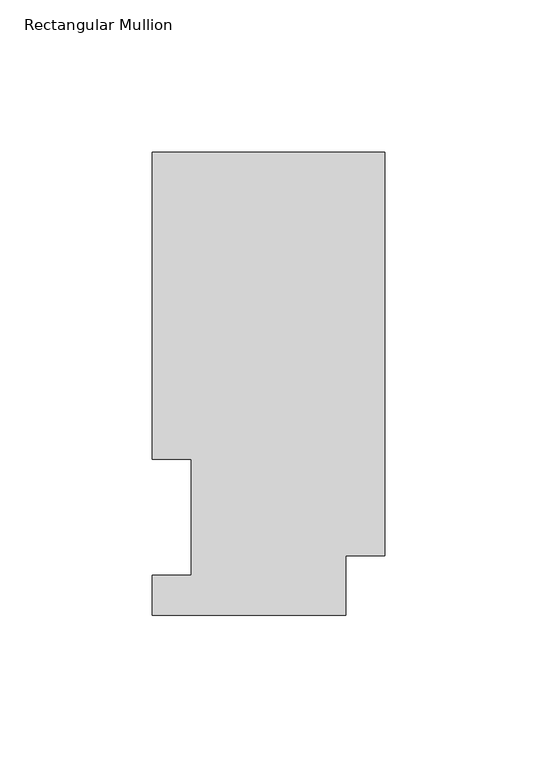
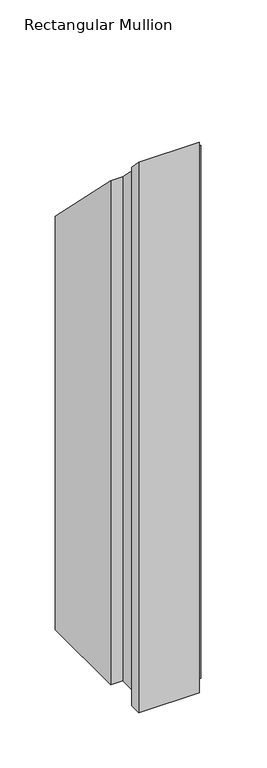
"""IFC4 building model written with IfcOpenShell, lengths in millimetres: member geometry, Rectangular Mullion."""

from ifc_helpers import new_model, si_unit, origin, place, context, project, spatial, faceted_brep, source, transform, mapped, element, save


def rectangular_mullion_9c9ff70d(model_context):
    return source(origin(), model_context, "Body", "Brep", [
        faceted_brep([(0.0, 151.8147517, -609.6), (0.0, 19.4553517, -609.6), (-12.7, 19.4553517, -609.6), (-12.7, -0.0772483, -609.6), (-76.2, -0.0772483, -609.6), (-76.2, 13.1053517, -609.6), (-63.5127, 13.1053517, -609.6), (-63.5127, 51.2053517, -609.6), (-76.2, 51.2053517, -609.6), (-76.2, 151.8147517, -609.6), (-76.2, 151.8147517, -151.8147517), (0.0, 151.8147517, -151.8147517), (-76.2, 51.2053517, -51.2053517), (-63.5127, 51.2053517, -51.2053517), (-63.5127, 13.1053517, -13.1053517), (-76.2, 13.1053517, -13.1053517), (-76.2, -0.0772483, 0.0772483), (-12.7, -0.0772483, 0.0772483), (-12.7, 19.4553517, -19.4553517), (0.0, 19.4553517, -19.4553517)], [[[0, 1, 2, 3, 4, 5, 6, 7, 8, 9]], [[10, 11, 0, 9]], [[12, 10, 9, 8]], [[13, 12, 8, 7]], [[14, 13, 7, 6]], [[15, 14, 6, 5]], [[16, 15, 5, 4]], [[17, 16, 4, 3]], [[18, 17, 3, 2]], [[19, 18, 2, 1]], [[11, 19, 1, 0]], [[11, 10, 12, 13, 14, 15, 16, 17, 18, 19]]]),
    ])


if __name__ == "__main__":
    model = new_model("IFC4")
    model_context = context("Model", 3, world=origin())
    ifc_project = project(units=[si_unit("LENGTHUNIT", "METRE", prefix="MILLI")], contexts=[model_context])
    site = spatial("IfcSite", under=ifc_project)
    building = spatial("IfcBuilding", under=site)
    placement = place(None, origin())
    rectangular_mullion_shape = rectangular_mullion_9c9ff70d(model_context)
    element("IfcMember", 1, ObjectType="Rectangular Mullion", at=placement, inside=building, context=model_context, shape_type="MappedRepresentation", body=[
        mapped(rectangular_mullion_shape, transform((0.0, 0.0, 0.0), x_axis=(1.0, 0.0, 0.0), y_axis=(0.0, 1.0, 0.0), z_axis=(0.0, 0.0, 1.0))),
    ])
    save(model, "model.ifc")
